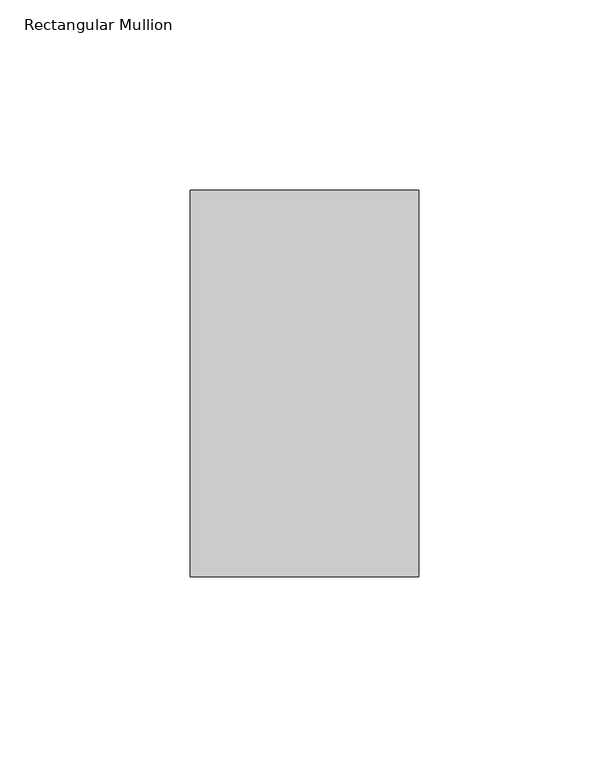
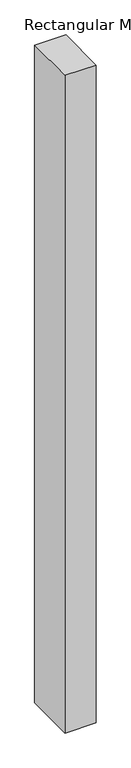
"""IFC4 building model written with IfcOpenShell, lengths in millimetres: member geometry, Rectangular Mullion."""

from ifc_helpers import new_model, si_unit, frame, origin, place, context, project, spatial, polyline, outline, extrude, source, transform, mapped, element, save


def rectangular_mullion_2238b4e3(model_context):
    return source(origin(), model_context, "Body", "SweptSolid", [
        extrude(outline(polyline([(0.0, 50.8), (0.0, -50.8), (-60.0, -50.8), (-60.0, 50.8), (0.0, 50.8)])), frame((0.0, 0.0, -1340.0), z_axis=(0.0, 0.0, 1.0), x_axis=(1.0, 0.0, 0.0)), (0.0, 0.0, 1.0), 1340.0),
    ])


if __name__ == "__main__":
    model = new_model("IFC4")
    model_context = context("Model", 3, world=origin())
    ifc_project = project(units=[si_unit("LENGTHUNIT", "METRE", prefix="MILLI")], contexts=[model_context])
    site = spatial("IfcSite", under=ifc_project)
    building = spatial("IfcBuilding", under=site)
    placement = place(None, origin())
    rectangular_mullion_shape = rectangular_mullion_2238b4e3(model_context)
    element("IfcMember", 1, ObjectType="Rectangular Mullion", at=placement, inside=building, context=model_context, shape_type="MappedRepresentation", body=[
        mapped(rectangular_mullion_shape, transform((0.0, 0.0, 0.0), x_axis=(1.0, 0.0, 0.0), y_axis=(0.0, 1.0, 0.0), z_axis=(0.0, 0.0, 1.0))),
    ])
    save(model, "model.ifc")
